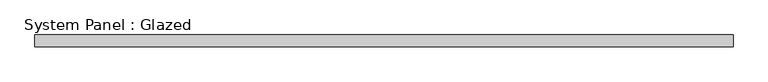
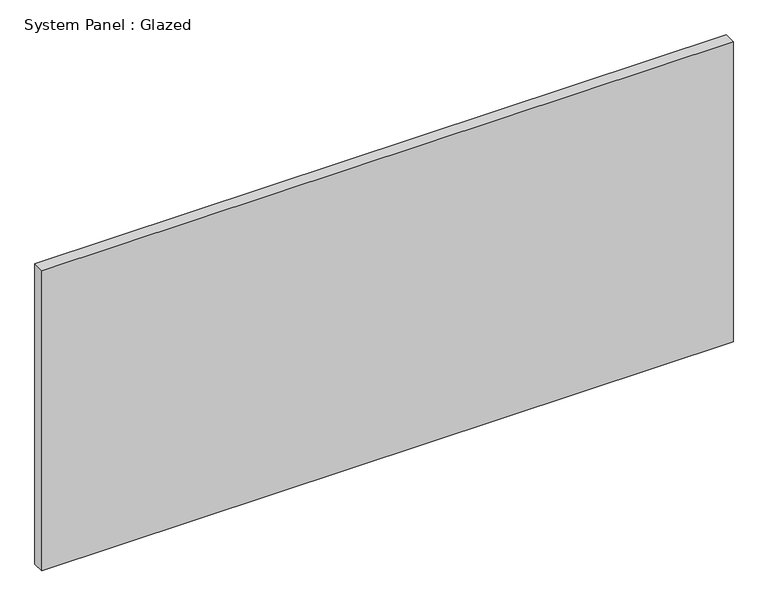
"""IFC4 building model written with IfcOpenShell, lengths in millimetres: plate geometry, System Panel : Glazed."""

from ifc_helpers import new_model, si_unit, origin, origin_with_axes, place, context, project, spatial, polyline, outline, extrude, source, transform, mapped, element, save


def system_panel_glazed_4538b90e(model_context):
    return source(origin(), model_context, "Body", "SweptSolid", [
        extrude(outline(polyline([(734.9999999, 24.5), (-734.9999999, 24.5), (-734.9999999, 49.5), (734.9999999, 49.5), (734.9999999, 24.5)])), origin_with_axes(), (0.0, 0.0, 1.0), 675.0),
    ])


if __name__ == "__main__":
    model = new_model("IFC4")
    model_context = context("Model", 3, world=origin())
    ifc_project = project(units=[si_unit("LENGTHUNIT", "METRE", prefix="MILLI")], contexts=[model_context])
    site = spatial("IfcSite", under=ifc_project)
    building = spatial("IfcBuilding", under=site)
    placement = place(None, origin())
    system_panel_glazed_shape = system_panel_glazed_4538b90e(model_context)
    element("IfcPlate", 1, ObjectType="System Panel : Glazed", at=placement, inside=building, context=model_context, shape_type="MappedRepresentation", body=[
        mapped(system_panel_glazed_shape, transform((0.0, 0.0, 0.0), x_axis=(1.0, 0.0, 0.0), y_axis=(0.0, 1.0, 0.0), z_axis=(0.0, 0.0, 1.0))),
    ])
    save(model, "model.ifc")
